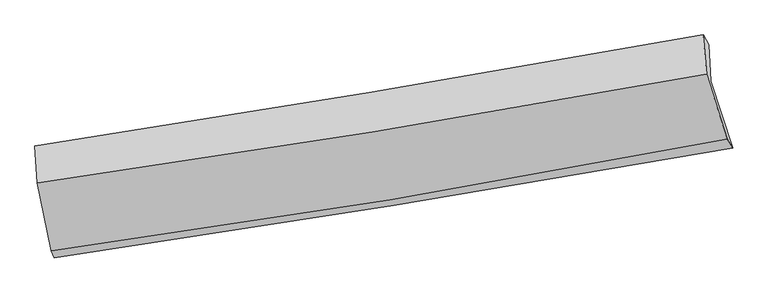
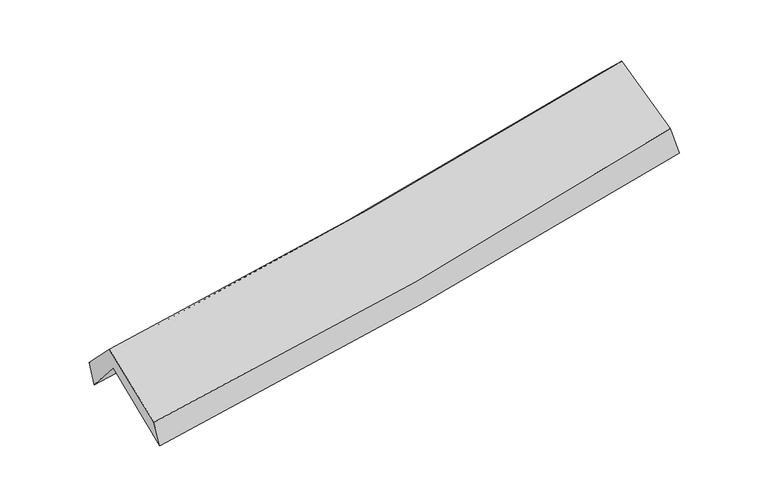
"""IFC4 building model written with IfcOpenShell, lengths in millimetres: proxy geometry."""

import ifcopenshell
import ifcopenshell.guid

model = None  # the IFC model being written
_history = None  # IfcOwnerHistory: only IFC2X3 demands one
_inside = {}  # id of a spatial element -> (the spatial element, [elements in it])
_under = {}  # id of a project, library or spatial element -> (it, [spatial elements below it])
_declared = {}  # id of a project -> (the project, [libraries it declares])
_typed = {}  # id of a type object -> (the type object, [elements of that type])
_made_of = {}  # id of a material, layer set ... -> (it, [elements and type objects made of it])


def new_model(schema):
    """Start an empty IFC model of exactly this schema.

    Asked for "IFC4X3", IfcOpenShell would pick the latest addendum, in which some entities
    have other attributes; the version numbers below select the first issue.
    IFC2X3 requires an IfcOwnerHistory on every rooted entity: one is made here for all.
    """
    global model, _history
    if schema == "IFC4X3":
        model = ifcopenshell.file(schema_version=(4, 3, 0, 0))
    else:
        model = ifcopenshell.file(schema=schema)
    _inside.clear()
    _under.clear()
    _declared.clear()
    _typed.clear()
    _made_of.clear()
    _history = None
    if model.schema == "IFC2X3":
        org = make("IfcOrganization", Name="unknown")
        user = make(
            "IfcPersonAndOrganization",
            ThePerson=make("IfcPerson", FamilyName="unknown"),
            TheOrganization=org,
        )
        app = make(
            "IfcApplication",
            ApplicationDeveloper=org,
            Version="unknown",
            ApplicationFullName="unknown",
            ApplicationIdentifier="unknown",
        )
        _history = make(
            "IfcOwnerHistory",
            OwningUser=user,
            OwningApplication=app,
            ChangeAction="ADDED",
            CreationDate=0,
        )
    return model


def make(cls, **values):
    """One entity of the class cls with the attributes given. An attribute that is None is left unset."""
    return model.create_entity(
        cls, **{name: value for name, value in values.items() if value is not None}
    )


def rooted(cls, **values):
    """An entity with a GlobalId (a new one), such as an element, a storey or a relation."""
    return make(cls, GlobalId=ifcopenshell.guid.new(), OwnerHistory=_history, **values)


def si_unit(unit_type, name, prefix=None):
    """IfcSIUnit, for example si_unit("LENGTHUNIT", "METRE", prefix="MILLI")."""
    return make("IfcSIUnit", UnitType=unit_type, Prefix=prefix, Name=name)


def assignment(units):
    """IfcUnitAssignment: the units of a project."""
    return None if units is None else make("IfcUnitAssignment", Units=units)


def point(xyz):
    """IfcCartesianPoint."""
    return None if xyz is None else make("IfcCartesianPoint", Coordinates=xyz)


def direction(xyz):
    """IfcDirection."""
    return None if xyz is None else make("IfcDirection", DirectionRatios=xyz)


def frame(location, z_axis=None, x_axis=None):
    """IfcAxis2Placement3D, a coordinate frame: its origin and axes. An axis left out is left unset."""
    return make(
        "IfcAxis2Placement3D",
        Location=point(location),
        Axis=direction(z_axis),
        RefDirection=direction(x_axis),
    )


def origin():
    """The frame at (0, 0, 0) with its axes left unset."""
    return frame((0.0, 0.0, 0.0))


def place(relative_to, where):
    """IfcLocalPlacement: puts the frame where relative to a parent placement (None: the world)."""
    return make(
        "IfcLocalPlacement", PlacementRelTo=relative_to, RelativePlacement=where
    )


def context(
    kind, dimensions, precision=None, world=None, true_north=None, identifier=None
):
    """IfcGeometricRepresentationContext, for example the 3D "Model" context."""
    return make(
        "IfcGeometricRepresentationContext",
        ContextIdentifier=identifier,
        ContextType=kind,
        CoordinateSpaceDimension=dimensions,
        Precision=precision,
        WorldCoordinateSystem=world,
        TrueNorth=true_north,
    )


def project(units=None, contexts=None):
    """IfcProject with its units and contexts."""
    return rooted(
        "IfcProject",
        Name="project",
        RepresentationContexts=contexts,
        UnitsInContext=assignment(units),
    )


def spatial(cls, under=None, at=None, **own):
    """A site, building, storey or space (cls), placed at a placement, below another one or the project."""
    s = rooted(cls, ObjectPlacement=at, **own)
    if under is not None:
        _under.setdefault(under.id(), (under, []))[1].append(s)
    return s


def shape(context_of_items, identifier, shape_type, items):
    """IfcShapeRepresentation: the items that make up one representation, for example the "Body"."""
    return make(
        "IfcShapeRepresentation",
        ContextOfItems=context_of_items,
        RepresentationIdentifier=identifier,
        RepresentationType=shape_type,
        Items=items,
    )


def source(mapping_origin, context_of_items, identifier, shape_type, items):
    """IfcRepresentationMap: a shape defined once, which mapped items show again and again."""
    return make(
        "IfcRepresentationMap",
        MappingOrigin=mapping_origin,
        MappedRepresentation=shape(context_of_items, identifier, shape_type, items),
    )


def transform(
    local_origin,
    x_axis=None,
    y_axis=None,
    z_axis=None,
    scale=None,
    scale2=None,
    scale3=None,
    uniform=True,
):
    """IfcCartesianTransformationOperator3D, or its non-uniform kind. x_axis, y_axis, z_axis: its Axis1, 2, 3."""
    if uniform:
        return make(
            "IfcCartesianTransformationOperator3D",
            Axis1=direction(x_axis),
            Axis2=direction(y_axis),
            LocalOrigin=point(local_origin),
            Scale=scale,
            Axis3=direction(z_axis),
        )
    return make(
        "IfcCartesianTransformationOperator3DnonUniform",
        Axis1=direction(x_axis),
        Axis2=direction(y_axis),
        LocalOrigin=point(local_origin),
        Scale=scale,
        Axis3=direction(z_axis),
        Scale2=scale2,
        Scale3=scale3,
    )


def mapped(mapping_source, mapping_target):
    """IfcMappedItem: shows the shape of a source again, moved by a transform."""
    return make(
        "IfcMappedItem", MappingSource=mapping_source, MappingTarget=mapping_target
    )


def made_of(thing, what):
    """Note that an element or type object is made of a material, layer set ...; save() writes the relation."""
    if what is not None:
        _made_of.setdefault(what.id(), (what, []))[1].append(thing)
    return thing


def element(
    cls,
    number,
    at=None,
    inside=None,
    cuts=None,
    type_object=None,
    material=None,
    context=None,
    identifier="Body",
    shape_type=None,
    held_by="IfcProductDefinitionShape",
    body=None,
    shapes=None,
    **own,
):
    """One element of the class cls, such as IfcWall. Its Tag is "e" and its number.

    at: its placement. inside: the storey or other place that contains it. cuts: it is an
    opening in that element (IfcRelVoidsElement). A single representation is given by context,
    identifier, shape_type and body (its items); several are given by shapes. held_by: the class
    of the entity that holds the representations. save() writes the other relations.
    """
    e = rooted(cls, Tag="e%d" % number, ObjectPlacement=at, **own)
    if body is not None:
        shapes = [shape(context, identifier, shape_type, body)]
    if shapes is not None:
        e.Representation = make(held_by, Representations=shapes)
    if inside is not None:
        _inside.setdefault(inside.id(), (inside, []))[1].append(e)
    if cuts is not None:
        rooted(
            "IfcRelVoidsElement", RelatingBuildingElement=cuts, RelatedOpeningElement=e
        )
    if type_object is not None:
        _typed.setdefault(type_object.id(), (type_object, []))[1].append(e)
    return made_of(e, material)


def aggregate(whole, parts):
    """IfcRelAggregates: a whole, such as a stair, and the parts it consists of."""
    return rooted("IfcRelAggregates", RelatingObject=whole, RelatedObjects=parts)


def save(model, path):
    """Write the relations noted so far, then the file.

    IfcRelAggregates (storeys below a building ...), IfcRelContainedInSpatialStructure (elements
    in a storey), IfcRelDefinesByType, IfcRelAssociatesMaterial and IfcRelDeclares: one each for
    every whole, place, type object, material and project.
    """
    for whole, parts in _under.values():
        aggregate(whole, parts)
    for where, things in _inside.values():
        rooted(
            "IfcRelContainedInSpatialStructure",
            RelatedElements=things,
            RelatingStructure=where,
        )
    for kind, things in _typed.values():
        rooted("IfcRelDefinesByType", RelatedObjects=things, RelatingType=kind)
    for what, things in _made_of.values():
        rooted("IfcRelAssociatesMaterial", RelatedObjects=things, RelatingMaterial=what)
    for by, libraries in _declared.values():
        rooted("IfcRelDeclares", RelatingContext=by, RelatedDefinitions=libraries)
    model.write(path)


def plane_surface(at):
    """IfcPlane: the flat surface through the origin of the frame at, square to its z axis."""
    return make("IfcPlane", Position=at)


def spline_curve(degree, points, multiplicities, knots, weights=None):
    """IfcBSplineCurveWithKnots; with weights, IfcRationalBSplineCurveWithKnots."""
    own = dict(
        Degree=degree,
        ControlPointsList=[point(p) for p in points],
        CurveForm="UNSPECIFIED",
        ClosedCurve=False,
        SelfIntersect=False,
        KnotMultiplicities=multiplicities,
        Knots=knots,
        KnotSpec="UNSPECIFIED",
    )
    if weights is None:
        return make("IfcBSplineCurveWithKnots", **own)
    return make("IfcRationalBSplineCurveWithKnots", WeightsData=weights, **own)


def spline_surface(u_degree, v_degree, points, u_multiplicities, v_multiplicities, u_knots, v_knots, weights=None):
    """IfcBSplineSurfaceWithKnots; with weights, IfcRationalBSplineSurfaceWithKnots. points: one row for each step in u."""
    own = dict(
        UDegree=u_degree,
        VDegree=v_degree,
        ControlPointsList=[[point(p) for p in row] for row in points],
        SurfaceForm="UNSPECIFIED",
        UClosed=False,
        VClosed=False,
        SelfIntersect=False,
        UMultiplicities=u_multiplicities,
        VMultiplicities=v_multiplicities,
        UKnots=u_knots,
        VKnots=v_knots,
        KnotSpec="UNSPECIFIED",
    )
    if weights is None:
        return make("IfcBSplineSurfaceWithKnots", **own)
    return make("IfcRationalBSplineSurfaceWithKnots", WeightsData=weights, **own)


def advanced_brep(points, edges, surfaces, faces):
    """IfcAdvancedBrep: a solid bounded by faces that lie on surfaces and meet in shared edges.

    An edge is (start, end): straight between two places in points (the first is 0);
    or (start, end, curve); or (start, end, curve, False) where it runs against its curve.
    A face is (place in surfaces, loops), or (place, loops, False) where it looks against
    its surface's normal. A loop lists edges by number (the first is 1), with a minus sign
    where the edge is run from its end to its start. The first loop is the outer one.
    """
    corners = [point(p) for p in points]
    vertices = [make("IfcVertexPoint", VertexGeometry=c) for c in corners]
    made = []
    for start, end, *more in edges:
        made.append(
            make(
                "IfcEdgeCurve",
                EdgeStart=vertices[start],
                EdgeEnd=vertices[end],
                EdgeGeometry=more[0] if more else make("IfcPolyline", Points=[corners[start], corners[end]]),
                SameSense=more[1] if len(more) > 1 else True,
            )
        )
    hull = []
    for where, loops, *sense in faces:
        bounds = []
        for j, loop in enumerate(loops):
            ring = [make("IfcOrientedEdge", EdgeElement=made[abs(k) - 1], Orientation=k > 0) for k in loop]
            bounds.append(
                make(
                    "IfcFaceOuterBound" if j == 0 else "IfcFaceBound",
                    Bound=make("IfcEdgeLoop", EdgeList=ring),
                    Orientation=True,
                )
            )
        hull.append(make("IfcAdvancedFace", Bounds=bounds, FaceSurface=surfaces[where], SameSense=sense[0] if sense else True))
    return make("IfcAdvancedBrep", Outer=make("IfcClosedShell", CfsFaces=hull))


def generic_models_62c87220(model_context):
    return source(origin(), model_context, "Body", "AdvancedBrep", [
        advanced_brep(
        [(-2343.699754, -2482.2437818, 1482.1786095), (-2448.0163147, -1971.4506101, 1912.5080846), (2382.7714511, -1207.4402337, 2350.77046), (2540.352185, -1689.4910664, 1927.6611127), (-2462.4808744, -1716.8411199, 1607.2311767), (2368.0243023, -947.8565255, 2039.5294623), (-2481.5043228, -1676.9185058, 1791.4026869), (2328.0090486, -875.5161482, 2228.8761912), (-2463.3423171, -1940.6492548, 2063.5877386), (2352.9757351, -1160.0671691, 2502.3798883), (-2364.6235542, -2429.7356324, 1667.6755844), (2500.8766788, -1624.2109337, 2124.4069821)],
        [
            (0, 1),
            (1, 2, spline_curve(3, [(-2448.0163147, -1971.4506101, 1912.5080846), (-1641.544861583, -1858.758849393, 1970.791173146), (-836.682852477, -1738.911404012, 2036.351927017), (773.59488951, -1484.308652101, 2182.370863256), (1578.995469184, -1349.485972134, 2262.897568077), (2382.7714511, -1207.4402337, 2350.77046)], [4, 2, 4], [0.0, 8.084289838668695, 16.206548925038774])),
            (2, 3),
            (3, 0, spline_curve(3, [(2540.352185, -1689.4910664, 1927.6611127), (1728.837393412, -1833.403986845, 1830.331170209), (915.116970722, -1971.564501959, 1744.482518705), (-712.920915625, -2235.761751243, 1596.095443723), (-1527.21780584, -2361.852141123, 1533.449927496), (-2343.699754, -2482.2437818, 1482.1786095)], [4, 2, 4], [0.0, 8.122259086370079, 16.206548925038774])),
            (1, 4),
            (4, 5, spline_curve(3, [(-2462.4808744, -1716.8411199, 1607.2311767), (-1655.260006734, -1604.455718817, 1658.684621834), (-850.045851641, -1484.349233986, 1720.327872354), (760.141434752, -1228.093733011, 1864.331359658), (1565.095671769, -1091.872019482, 1946.787537829), (2368.0243023, -947.8565255, 2039.5294623)], [4, 2, 4], [0.0, 8.037206593717782, 16.112161300637098])),
            (5, 2),
            (4, 6),
            (6, 7, spline_curve(3, [(-2481.5043228, -1676.9185058, 1791.4026869), (-1678.945458642, -1552.244698311, 1846.201531122), (-877.808896245, -1423.290778681, 1909.950649897), (725.375619028, -1156.196958537, 2055.690880816), (1527.410180687, -1018.016758947, 2137.766263633), (2328.0090486, -875.5161482, 2228.8761912)], [4, 2, 4], [0.0, 8.02483846630882, 16.087366956796814])),
            (7, 5),
            (6, 8),
            (8, 9, spline_curve(3, [(-2463.3423171, -1940.6492548, 2063.5877386), (-1658.602035902, -1826.621441989, 2118.909538284), (-855.807806889, -1704.729892814, 2183.03012015), (749.649866504, -1444.609904331, 2329.211325894), (1552.294988485, -1306.307424924, 2411.35479415), (2352.9757351, -1160.0671691, 2502.3798883)], [4, 2, 4], [0.0, 8.015343399467254, 16.068332227910883])),
            (9, 7),
            (8, 10),
            (10, 11, spline_curve(3, [(-2364.6235542, -2429.7356324, 1667.6755844), (-1548.868087632, -2319.05966032, 1719.844406643), (-736.474029155, -2196.779135234, 1783.872747083), (885.391030746, -1928.380163631, 1936.004884203), (1694.830383489, -1782.152456192, 2024.220343063), (2500.8766788, -1624.2109337, 2124.4069821)], [4, 2, 4], [0.0, 8.062972392682097, 16.163813912040332])),
            (11, 9),
            (10, 0),
            (3, 11),
        ],
        [
            spline_surface(3, 3, [[(-2343.699754, -2482.2437818, 1482.1786095), (-1527.217805756, -2361.852141215, 1533.449927486), (-712.920915555, -2235.761751164, 1596.095443661), (915.116970651, -1971.564502038, 1744.482518767), (1728.83739343, -1833.403986955, 1830.331170323), (2540.352185, -1689.4910664, 1927.6611127)], [(-2378.471940883, -2311.979391235, 1625.621767867), (-1565.326824325, -2194.154377277, 1679.230342709), (-754.174894547, -2070.144968788, 1742.847604762), (867.942943646, -1809.145885429, 1890.445300279), (1678.890085383, -1672.097982007, 1974.519969538), (2487.825273715, -1528.807455506, 2068.697561806)], [(-2413.244127817, -2141.715000665, 1769.064926233), (-1603.435842943, -2026.456613335, 1825.010757931), (-795.428873576, -1904.528186346, 1889.599765866), (820.768916606, -1646.727268752, 2036.408081795), (1628.94277729, -1510.791977041, 2118.708768735), (2435.298362385, -1368.123844594, 2209.734010894)], [(-2448.0163147, -1971.4506101, 1912.5080846), (-1641.544861512, -1858.758849397, 1970.791173154), (-836.682852568, -1738.91140397, 2036.351926966), (773.594889601, -1484.308652143, 2182.370863308), (1578.995469243, -1349.485972093, 2262.897567949), (2382.7714511, -1207.4402337, 2350.77046)]], [4, 4], [4, 2, 4], [0.0, 2.2069074988847843], [0.0, 8.084289838668695, 16.206548925038774]),
            spline_surface(3, 3, [[(-2448.0163147, -1971.4506101, 1912.5080846), (-1641.544861512, -1858.758849397, 1970.791173154), (-836.682852568, -1738.91140397, 2036.351926966), (773.594889601, -1484.308652143, 2182.370863308), (1578.995469243, -1349.485972093, 2262.897567949), (2382.7714511, -1207.4402337, 2350.77046)], [(-2452.83783462, -1886.580780039, 1810.749115311), (-1646.116576593, -1773.991139206, 1866.755656088), (-841.137185565, -1654.057347291, 1931.010575423), (769.110404626, -1398.903679067, 2076.357695461), (1574.362203391, -1263.614654621, 2157.527557929), (2377.855734806, -1120.912330987, 2247.023460761)], [(-2457.65935448, -1801.710949961, 1708.990145989), (-1650.688291616, -1689.223428999, 1762.720138988), (-845.591518565, -1569.203290687, 1825.669223834), (764.625919648, -1313.498706065, 1970.344527567), (1569.728937622, -1177.743337087, 2052.157547925), (2372.940018594, -1034.384428213, 2143.276461539)], [(-2462.4808744, -1716.8411199, 1607.2311767), (-1655.260006698, -1604.455718808, 1658.684621922), (-850.045851562, -1484.349234008, 1720.327872291), (760.141434672, -1228.093732988, 1864.331359721), (1565.095671771, -1091.872019615, 1946.787537904), (2368.0243023, -947.8565255, 2039.5294623)]], [4, 4], [4, 2, 4], [0.0, 1.3363823445632745], [0.0, 8.037206593717782, 16.112161300637098]),
            spline_surface(3, 3, [[(-2462.4808744, -1716.8411199, 1607.2311767), (-1655.260006698, -1604.455718808, 1658.684621922), (-850.045851562, -1484.349234008, 1720.327872291), (760.141434672, -1228.093732988, 1864.331359721), (1565.095671771, -1091.872019615, 1946.787537904), (2368.0243023, -947.8565255, 2039.5294623)], [(-2468.822023864, -1703.533581878, 1668.621680108), (-1663.155157319, -1587.052045355, 1721.190258363), (-859.30019981, -1463.996415603, 1783.535464805), (748.552829459, -1204.128141511, 1928.117866757), (1552.533841371, -1067.253599392, 2010.447113166), (2354.685884397, -923.743066385, 2102.645038599)], [(-2475.163173336, -1690.226043822, 1730.012183492), (-1671.050307949, -1569.648371869, 1783.69589478), (-868.554548029, -1443.643597132, 1846.743057343), (736.964224273, -1180.162549969, 1991.904373819), (1539.972010978, -1042.635179214, 2074.106688431), (2341.347466503, -899.629607315, 2165.760614901)], [(-2481.5043228, -1676.9185058, 1791.4026869), (-1678.94545857, -1552.244698415, 1846.201531221), (-877.808896276, -1423.290778727, 1909.950649857), (725.375619059, -1156.196958491, 2055.690880856), (1527.410180578, -1018.016758991, 2137.766263692), (2328.0090486, -875.5161482, 2228.8761912)]], [4, 4], [4, 2, 4], [0.0, 0.6698825363403169], [0.0, 8.02483846630882, 16.087366956796814]),
            spline_surface(3, 3, [[(-2481.5043228, -1676.9185058, 1791.4026869), (-1678.94545857, -1552.244698415, 1846.201531221), (-877.808896276, -1423.290778727, 1909.950649857), (725.375619059, -1156.196958491, 2055.690880856), (1527.410180578, -1018.016758991, 2137.766263692), (2328.0090486, -875.5161482, 2228.8761912)], [(-2475.450320889, -1764.828755463, 1882.131037451), (-1672.164317678, -1643.703612898, 1937.104200235), (-870.475199841, -1517.103816734, 2000.977139913), (733.467034914, -1252.334607131, 2146.864362533), (1535.705116535, -1114.113647655, 2228.962440494), (2336.331277449, -970.366488508, 2320.044090253)], [(-2469.396319011, -1852.739005137, 1972.859388049), (-1665.383176817, -1735.162527392, 2028.006869297), (-863.141503425, -1610.916854734, 2092.003630035), (741.558450749, -1348.472255765, 2238.037844276), (1544.000052447, -1210.210536294, 2320.158617238), (2344.653506251, -1065.216828792, 2411.211989247)], [(-2463.3423171, -1940.6492548, 2063.5877386), (-1658.602035925, -1826.621441875, 2118.909538311), (-855.807806989, -1704.729892741, 2183.030120091), (749.649866604, -1444.609904405, 2329.211325953), (1552.294988404, -1306.307424958, 2411.35479404), (2352.9757351, -1160.0671691, 2502.3798883)]], [4, 4], [4, 2, 4], [0.0, 1.2975759011102328], [0.0, 8.015343399467254, 16.068332227910883]),
            spline_surface(3, 3, [[(-2463.3423171, -1940.6492548, 2063.5877386), (-1658.602035925, -1826.621441875, 2118.909538311), (-855.807806989, -1704.729892741, 2183.030120091), (749.649866604, -1444.609904405, 2329.211325953), (1552.294988404, -1306.307424958, 2411.35479404), (2352.9757351, -1160.0671691, 2502.3798883)], [(-2430.436062814, -2103.678047337, 1931.61702053), (-1622.024053137, -1990.767514735, 1985.887827787), (-816.029881065, -1868.746306866, 2049.977662442), (794.896921331, -1605.866657512, 2198.142512058), (1599.80678675, -1464.922435354, 2282.309977042), (2402.276049652, -1314.781757296, 2376.388919546)], [(-2397.529808486, -2266.706839863, 1799.64630247), (-1585.446070309, -2154.913587584, 1852.866117273), (-776.251955129, -2032.762721002, 1916.92520473), (840.14397607, -1767.123410632, 2067.0736981), (1647.31858514, -1623.537445764, 2153.265160105), (2451.576364248, -1469.496345504, 2250.397950854)], [(-2364.6235542, -2429.7356324, 1667.6755844), (-1548.868087522, -2319.059660444, 1719.844406749), (-736.474029205, -2196.779135127, 1783.872747081), (885.391030797, -1928.380163739, 1936.004884205), (1694.830383486, -1782.15245616, 2024.220343107), (2500.8766788, -1624.2109337, 2124.4069821)]], [4, 4], [4, 2, 4], [0.0, 2.1039920636194487], [0.0, 8.062972392682097, 16.163813912040332]),
            spline_surface(3, 3, [[(-2364.6235542, -2429.7356324, 1667.6755844), (-1548.868087522, -2319.059660444, 1719.844406749), (-736.474029205, -2196.779135127, 1783.872747081), (885.391030797, -1928.380163739, 1936.004884205), (1694.830383486, -1782.15245616, 2024.220343107), (2500.8766788, -1624.2109337, 2124.4069821)], [(-2357.64895413, -2447.238348849, 1605.843259433), (-1541.651326931, -2333.323820684, 1657.712913661), (-728.622991328, -2209.773340455, 1721.280312603), (895.299677408, -1942.774943155, 1872.16409572), (1706.166053482, -1799.236299743, 1959.590618848), (2514.035180882, -1645.970977918, 2058.825025635)], [(-2350.67435407, -2464.741065351, 1544.010934467), (-1534.434566348, -2347.587980976, 1595.581420574), (-720.771953432, -2222.767545836, 1658.68787814), (905.208324039, -1957.169722623, 1808.323307251), (1717.501723434, -1816.320143372, 1894.960894583), (2527.193682918, -1667.731022182, 1993.243069165)], [(-2343.699754, -2482.2437818, 1482.1786095), (-1527.217805756, -2361.852141215, 1533.449927486), (-712.920915555, -2235.761751164, 1596.095443661), (915.116970651, -1971.564502038, 1744.482518767), (1728.83739343, -1833.403986955, 1830.331170323), (2540.352185, -1689.4910664, 1927.6611127)]], [4, 4], [4, 2, 4], [0.0, 0.6426552871320543], [0.0, 8.119596158872833, 16.2773273876088]),
            plane_surface(frame((2412.1682335, -1250.7636794, 2195.6040161), z_axis=(0.9702912151033873, 0.20642456944802276, 0.12618975798927104), x_axis=(0.23987410693927289, -0.7527745818922473, -0.6130178151383845))),
            plane_surface(frame((-2427.2778562, -2036.3064841, 1754.0973134), z_axis=(-0.987356433086966, -0.14157709398125334, -0.07129656724981279), x_axis=(-0.10790046544860332, 0.27077556170241535, 0.9565762304911806))),
        ],
        [
            (0, [[1, 2, 3, 4]]),
            (1, [[5, 6, 7, -2]]),
            (2, [[8, 9, 10, -6]]),
            (3, [[11, 12, 13, -9]]),
            (4, [[14, 15, 16, -12]]),
            (5, [[17, -4, 18, -15]]),
            (6, [[-16, -18, -3, -7, -10, -13]]),
            (7, [[-17, -14, -11, -8, -5, -1]]),
        ],
    ),
    ])


if __name__ == "__main__":
    model = new_model("IFC4")
    model_context = context("Model", 3, world=origin())
    ifc_project = project(units=[si_unit("LENGTHUNIT", "METRE", prefix="MILLI")], contexts=[model_context])
    site = spatial("IfcSite", under=ifc_project)
    building = spatial("IfcBuilding", under=site)
    placement = place(None, origin())
    generic_models_shape = generic_models_62c87220(model_context)
    element("IfcBuildingElementProxy", 1, Name="Generic Models", at=placement, inside=building, context=model_context, shape_type="MappedRepresentation", body=[
        mapped(generic_models_shape, transform((0.0, 0.0, 0.0), x_axis=(1.0, 0.0, 0.0), y_axis=(0.0, 1.0, 0.0), z_axis=(0.0, 0.0, 1.0))),
    ])
    save(model, "model.ifc")
